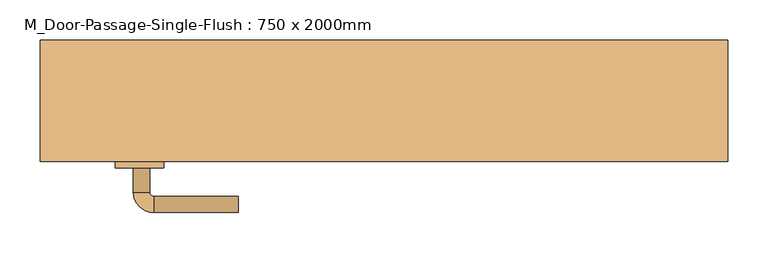
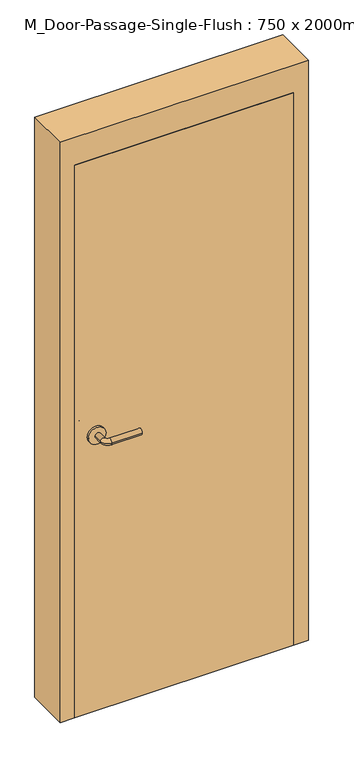
"""IFC4 building model written with IfcOpenShell, lengths in millimetres: door geometry, M_Door-Passage-Single-Flush : 750 x 2000mm."""

from ifc_helpers import new_model, si_unit, point, frame, frame_2d, origin, origin_with_axes, place, context, project, spatial, polyline, circle_curve, ellipse_curve, trimmed, segment, composite_curve, outline, extrude, faceted_brep, source, transform, mapped, element, save
from ifc_brep_helpers import plane_surface, cylinder_surface, revolved_surface, advanced_brep


def m_door_passage_single_flush_750_x_2000mm_82971e4d(model_context):
    return source(origin(), model_context, "Body", "SolidModel", [
        advanced_brep(
        [(-309.990625, 9.15, 1000.0), (-289.990625, 9.15, 1000.0), (-309.990625, 39.15, 1000.0), (-289.990625, 39.15, 1000.0), (-284.990625, 44.15, 1000.0), (-284.990625, 64.15, 1000.0), (-179.990625, 64.15, 1000.0), (-179.990625, 44.15, 1000.0)],
        [
            (0, 1, circle_curve(frame((-299.990625, 9.15, 1000.0), z_axis=(0.0, -1.0, 0.0), x_axis=(1.0, 0.0, 0.0)), 10.0)),
            (1, 0, circle_curve(frame((-299.990625, 9.15, 1000.0), z_axis=(0.0, -1.0, 0.0), x_axis=(1.0, 0.0, 0.0)), 10.0)),
            (0, 2),
            (2, 3, circle_curve(frame((-299.990625, 39.15, 1000.0), z_axis=(0.0, -1.0, 0.0), x_axis=(1.0, 0.0, 0.0)), 10.0)),
            (3, 1),
            (3, 2, circle_curve(frame((-299.990625, 39.15, 1000.0), z_axis=(0.0, -1.0, 0.0), x_axis=(1.0, 0.0, 0.0)), 10.0)),
            (4, 3, circle_curve(frame((-284.990625, 39.15, 1000.0), z_axis=(0.0, 0.0, 1.0), x_axis=(-1.0, 0.0, 0.0)), 5.0)),
            (2, 5, circle_curve(frame((-284.990625, 39.15, 1000.0), z_axis=(0.0, 0.0, -1.0), x_axis=(-1.0, 0.0, 0.0)), 25.0)),
            (5, 4, circle_curve(frame((-284.990625, 54.15, 1000.0), z_axis=(-1.0, 0.0, 0.0), x_axis=(0.0, -1.0, 0.0)), 10.0)),
            (4, 5, circle_curve(frame((-284.990625, 54.15, 1000.0), z_axis=(-1.0, 0.0, 0.0), x_axis=(0.0, -1.0, 0.0)), 10.0)),
            (6, 7, circle_curve(frame((-179.990625, 54.15, 1000.0), z_axis=(1.0, 0.0, 0.0), x_axis=(0.0, -1.0, 0.0)), 10.0)),
            (7, 6, circle_curve(frame((-179.990625, 54.15, 1000.0), z_axis=(1.0, 0.0, 0.0), x_axis=(0.0, -1.0, 0.0)), 10.0)),
            (5, 6),
            (7, 4),
        ],
        [
            plane_surface(frame((-299.990625, 9.15, 1000.0), z_axis=(0.0, -1.0, 0.0), x_axis=(0.0, 0.0, 1.0))),
            cylinder_surface(frame((-299.990625, 9.15, 1000.0), z_axis=(0.0, -1.0, 0.0), x_axis=(1.0, 0.0, 0.0)), 10.0),
            revolved_surface(trimmed(ellipse_curve(frame((-299.990625, 39.15, 1000.0), z_axis=(0.0, -1.0, 0.0), x_axis=(1.0, 0.0, 0.0)), 10.0, 10.0), [point((-309.990625, 39.15, 1000.0))], [point((-289.990625, 39.15, 1000.0))], True, "CARTESIAN"), (-284.990625, 39.15, 1000.0), (0.0, 0.0, -1.0)),
            revolved_surface(trimmed(ellipse_curve(frame((-299.990625, 39.15, 1000.0), z_axis=(0.0, -1.0, 0.0), x_axis=(1.0, 0.0, 0.0)), 10.0, 10.0), [point((-289.990625, 39.15, 1000.0))], [point((-309.990625, 39.15, 1000.0))], True, "CARTESIAN"), (-284.990625, 39.15, 1000.0), (0.0, 0.0, -1.0)),
            plane_surface(frame((-179.990625, 54.15, 1000.0), z_axis=(1.0, 0.0, 0.0), x_axis=(0.0, 0.0, 1.0))),
            cylinder_surface(frame((-284.990625, 54.15, 1000.0), z_axis=(-1.0, 0.0, 0.0), x_axis=(0.0, -1.0, 0.0)), 10.0),
        ],
        [
            (0, [[1, 2]]),
            (1, [[-1, 3, 4, 5]]),
            (1, [[-2, -5, 6, -3]]),
            (2, [[7, -4, 8, 9]]),
            (3, [[-8, -6, -7, 10]]),
            (4, [[11, 12]]),
            (5, [[-9, 13, -12, 14]]),
            (5, [[-10, -14, -11, -13]]),
        ],
    ),
        extrude(outline(composite_curve([segment(trimmed(circle_curve(frame_2d((1000.0, -302.490625)), 30.0), [point((1000.0, -332.490625))], [point((1000.0, -272.490625))], False, "CARTESIAN"), True, "CONTINUOUS"), segment(trimmed(circle_curve(frame_2d((1000.0, -302.490625)), 30.0), [point((1000.0, -272.490625))], [point((1000.0, -332.490625))], False, "CARTESIAN"), True, "CONTINUOUS")], self_intersect=False)), frame((0.0, 1.15, 0.0), z_axis=(0.0, 1.0, 0.0), x_axis=(0.0, 0.0, 1.0)), (0.0, 0.0, 1.0), 8.0),
        advanced_brep(
        [(-309.990625, -51.85, 1000.0), (-289.990625, -51.85, 1000.0), (-289.990625, -81.85, 1000.0), (-309.990625, -81.85, 1000.0), (-284.990625, -86.85, 1000.0), (-284.990625, -106.85, 1000.0), (-179.990625, -106.85, 1000.0), (-179.990625, -86.85, 1000.0)],
        [
            (0, 1, circle_curve(frame((-299.990625, -51.85, 1000.0), z_axis=(0.0, 1.0, 0.0), x_axis=(1.0, 0.0, 0.0)), 10.0)),
            (1, 0, circle_curve(frame((-299.990625, -51.85, 1000.0), z_axis=(0.0, 1.0, 0.0), x_axis=(1.0, 0.0, 0.0)), 10.0)),
            (1, 2),
            (2, 3, circle_curve(frame((-299.990625, -81.85, 1000.0), z_axis=(0.0, 1.0, 0.0), x_axis=(1.0, 0.0, 0.0)), 10.0)),
            (3, 0),
            (3, 2, circle_curve(frame((-299.990625, -81.85, 1000.0), z_axis=(0.0, 1.0, 0.0), x_axis=(1.0, 0.0, 0.0)), 10.0)),
            (4, 5, circle_curve(frame((-284.990625, -96.85, 1000.0), z_axis=(-1.0, 0.0, 0.0), x_axis=(0.0, 1.0, 0.0)), 10.0)),
            (5, 3, circle_curve(frame((-284.990625, -81.85, 1000.0), z_axis=(0.0, 0.0, -1.0), x_axis=(-1.0, 0.0, 0.0)), 25.0)),
            (2, 4, circle_curve(frame((-284.990625, -81.85, 1000.0), z_axis=(0.0, 0.0, 1.0), x_axis=(-1.0, 0.0, 0.0)), 5.0)),
            (5, 4, circle_curve(frame((-284.990625, -96.85, 1000.0), z_axis=(-1.0, 0.0, 0.0), x_axis=(0.0, 1.0, 0.0)), 10.0)),
            (6, 7, circle_curve(frame((-179.990625, -96.85, 1000.0), z_axis=(1.0, 0.0, 0.0), x_axis=(0.0, 1.0, 0.0)), 10.0)),
            (7, 6, circle_curve(frame((-179.990625, -96.85, 1000.0), z_axis=(1.0, 0.0, 0.0), x_axis=(0.0, 1.0, 0.0)), 10.0)),
            (4, 7),
            (6, 5),
        ],
        [
            plane_surface(frame((-299.990625, -51.85, 1000.0), z_axis=(0.0, 1.0, 0.0), x_axis=(0.0, 0.0, 1.0))),
            cylinder_surface(frame((-299.990625, -51.85, 1000.0), z_axis=(0.0, 1.0, 0.0), x_axis=(1.0, 0.0, 0.0)), 10.0),
            revolved_surface(trimmed(ellipse_curve(frame((-299.990625, -81.85, 1000.0), z_axis=(0.0, -1.0, 0.0), x_axis=(1.0, 0.0, 0.0)), 10.0, 10.0), [point((-309.990625, -81.85, 1000.0))], [point((-289.990625, -81.85, 1000.0))], True, "CARTESIAN"), (-284.990625, -81.85, 1000.0), (0.0, 0.0, -1.0)),
            revolved_surface(trimmed(ellipse_curve(frame((-299.990625, -81.85, 1000.0), z_axis=(0.0, -1.0, 0.0), x_axis=(1.0, 0.0, 0.0)), 10.0, 10.0), [point((-289.990625, -81.85, 1000.0))], [point((-309.990625, -81.85, 1000.0))], True, "CARTESIAN"), (-284.990625, -81.85, 1000.0), (0.0, 0.0, -1.0)),
            plane_surface(frame((-179.990625, -96.85, 1000.0), z_axis=(1.0, 0.0, 0.0), x_axis=(0.0, 0.0, 1.0))),
            cylinder_surface(frame((-284.990625, -96.85, 1000.0), z_axis=(-1.0, 0.0, 0.0), x_axis=(0.0, 1.0, 0.0)), 10.0),
        ],
        [
            (0, [[1, 2]]),
            (1, [[3, 4, 5, -2]]),
            (1, [[-5, 6, -3, -1]]),
            (2, [[7, 8, -4, 9]]),
            (3, [[10, -9, -6, -8]]),
            (4, [[11, 12]]),
            (5, [[13, -11, 14, -7]]),
            (5, [[-14, -12, -13, -10]]),
        ],
    ),
        extrude(outline(composite_curve([segment(trimmed(circle_curve(frame_2d((1000.0, -302.490625)), 30.0), [point((1000.0, -332.490625))], [point((1000.0, -272.490625))], False, "CARTESIAN"), True, "CONTINUOUS"), segment(trimmed(circle_curve(frame_2d((1000.0, -302.490625)), 30.0), [point((1000.0, -272.490625))], [point((1000.0, -332.490625))], False, "CARTESIAN"), True, "CONTINUOUS")], self_intersect=False)), frame((0.0, -51.85, 0.0), z_axis=(0.0, 1.0, 0.0), x_axis=(0.0, 0.0, 1.0)), (0.0, 0.0, 1.0), 8.0),
        extrude(outline(polyline([(375.0, 1.15), (375.0, -43.85), (-375.0, -43.85), (-375.0, 1.15), (375.0, 1.15)])), origin_with_axes(), (0.0, 0.0, 1.0), 2000.0),
        faceted_brep([(375.0, 5.9125, 0.0), (359.125, 5.9125, 0.0), (359.125, 56.9375, 0.0), (375.0, 56.9375, 0.0), (375.0, 106.15, 0.0), (425.0, 106.15, 0.0), (425.0, -43.85, 0.0), (375.0, -43.85, 0.0), (375.0, -43.85, 2000.0), (375.0, 5.9125, 2000.0), (425.0, -43.85, 2100.0), (-425.0, -43.85, 2100.0), (-425.0, -43.85, 0.0), (-375.0, -43.85, 0.0), (-375.0, -43.85, 2000.0), (425.0, 106.15, 2100.0), (375.0, 106.15, 2000.0), (-375.0, 106.15, 2000.0), (-375.0, 106.15, 0.0), (-425.0, 106.15, 0.0), (-425.0, 106.15, 2100.0), (375.0, 56.9375, 2000.0), (359.125, 56.9375, 1984.125), (-359.125, 56.9375, 1984.125), (-359.125, 56.9375, 0.0), (-375.0, 56.9375, 0.0), (-375.0, 56.9375, 2000.0), (359.125, 5.9125, 1984.125), (-375.0, 5.9125, 2000.0), (-375.0, 5.9125, 0.0), (-359.125, 5.9125, 0.0), (-359.125, 5.9125, 1984.125)], [[[0, 1, 2, 3, 4, 5, 6, 7]], [[7, 8, 9, 0]], [[6, 10, 11, 12, 13, 14, 8, 7]], [[5, 15, 10, 6]], [[4, 16, 17, 18, 19, 20, 15, 5]], [[3, 21, 16, 4]], [[2, 22, 23, 24, 25, 26, 21, 3]], [[1, 27, 22, 2]], [[0, 9, 28, 29, 30, 31, 27, 1]], [[8, 14, 28, 9]], [[16, 21, 26, 17]], [[22, 27, 31, 23]], [[12, 19, 18, 25, 24, 30, 29, 13]], [[13, 29, 28, 14]], [[11, 20, 19, 12]], [[17, 26, 25, 18]], [[23, 31, 30, 24]], [[15, 20, 11, 10]]]),
    ])


if __name__ == "__main__":
    model = new_model("IFC4")
    model_context = context("Model", 3, world=origin())
    ifc_project = project(units=[si_unit("LENGTHUNIT", "METRE", prefix="MILLI")], contexts=[model_context])
    site = spatial("IfcSite", under=ifc_project)
    building = spatial("IfcBuilding", under=site)
    placement = place(None, origin())
    m_door_passage_single_flush_750_x_2000mm_shape = m_door_passage_single_flush_750_x_2000mm_82971e4d(model_context)
    element("IfcDoor", 1, ObjectType="M_Door-Passage-Single-Flush : 750 x 2000mm", at=placement, inside=building, context=model_context, shape_type="MappedRepresentation", body=[
        mapped(m_door_passage_single_flush_750_x_2000mm_shape, transform((0.0, 0.0, 0.0), x_axis=(1.0, 0.0, 0.0), y_axis=(0.0, 1.0, 0.0), z_axis=(0.0, 0.0, 1.0))),
    ])
    save(model, "model.ifc")
